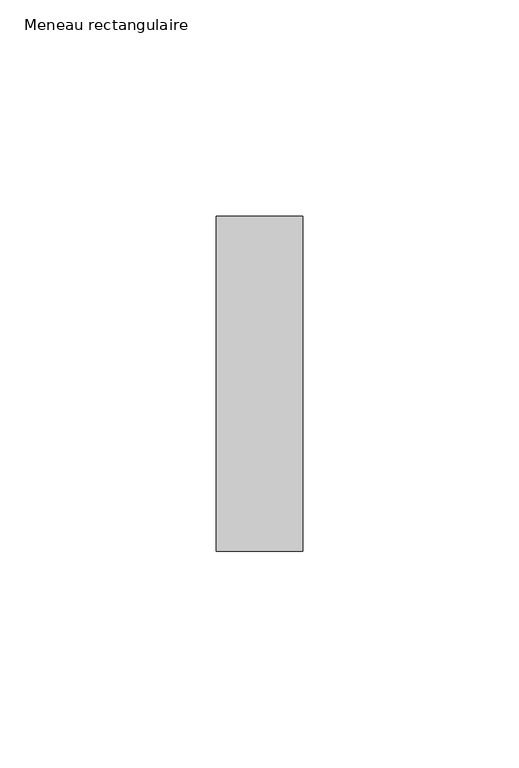
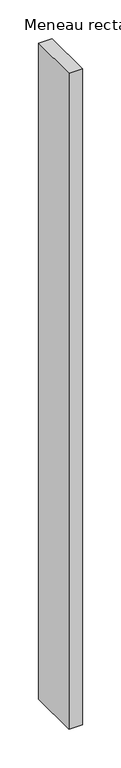
"""IFC4 building model written with IfcOpenShell, lengths in millimetres: member geometry, Meneau rectangulaire."""

from ifc_helpers import new_model, si_unit, frame, origin, place, context, project, spatial, polyline, outline, extrude, source, transform, mapped, element, save


def meneau_rectangulaire_01fd8765(model_context):
    return source(origin(), model_context, "Body", "SweptSolid", [
        extrude(outline(polyline([(0.0, 38.75), (0.0, -38.75), (-20.0, -38.75), (-20.0, 38.75), (0.0, 38.75)])), frame((0.0, 0.0, -1028.3830686), z_axis=(0.0, 0.0, 1.0), x_axis=(1.0, 0.0, 0.0)), (0.0, 0.0, 1.0), 1028.3830686),
    ])


if __name__ == "__main__":
    model = new_model("IFC4")
    model_context = context("Model", 3, world=origin())
    ifc_project = project(units=[si_unit("LENGTHUNIT", "METRE", prefix="MILLI")], contexts=[model_context])
    site = spatial("IfcSite", under=ifc_project)
    building = spatial("IfcBuilding", under=site)
    placement = place(None, origin())
    meneau_rectangulaire_shape = meneau_rectangulaire_01fd8765(model_context)
    element("IfcMember", 1, ObjectType="Meneau rectangulaire", at=placement, inside=building, context=model_context, shape_type="MappedRepresentation", body=[
        mapped(meneau_rectangulaire_shape, transform((0.0, 0.0, 0.0), x_axis=(1.0, 0.0, 0.0), y_axis=(0.0, 1.0, 0.0), z_axis=(0.0, 0.0, 1.0))),
    ])
    save(model, "model.ifc")
